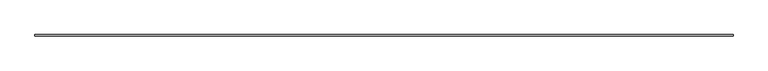
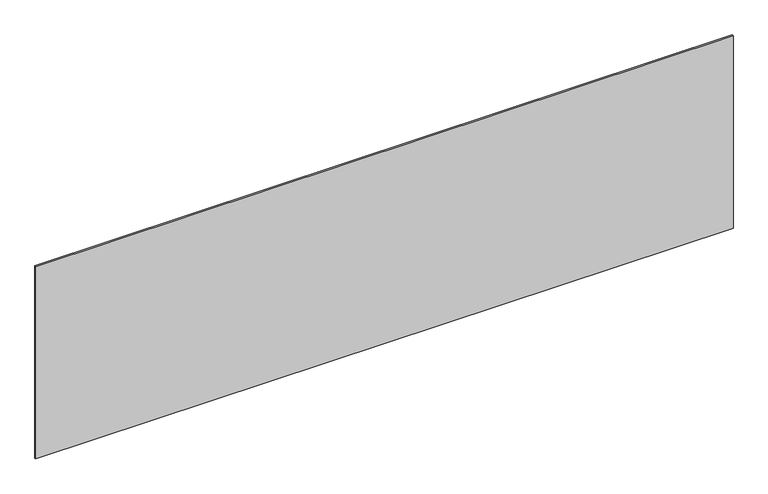
"""IFC4 building model written with IfcOpenShell, lengths in millimetres: plate geometry."""

from ifc_helpers import new_model, si_unit, origin, origin_with_axes, place, context, project, spatial, polyline, outline, extrude, source, transform, mapped, element, save


def plate_ac0f2cd7(model_context):
    return source(origin(), model_context, "Body", "SweptSolid", [
        extrude(outline(polyline([(2281.6666667, -5.0), (-2281.6666667, -5.0), (-2281.6666667, 5.0), (2281.6666667, 5.0), (2281.6666667, -5.0)])), origin_with_axes(), (0.0, 0.0, 1.0), 1330.1743306),
    ])


if __name__ == "__main__":
    model = new_model("IFC4")
    model_context = context("Model", 3, world=origin())
    ifc_project = project(units=[si_unit("LENGTHUNIT", "METRE", prefix="MILLI")], contexts=[model_context])
    site = spatial("IfcSite", under=ifc_project)
    building = spatial("IfcBuilding", under=site)
    placement = place(None, origin())
    plate_shape = plate_ac0f2cd7(model_context)
    element("IfcPlate", 1, at=placement, inside=building, context=model_context, shape_type="MappedRepresentation", body=[
        mapped(plate_shape, transform((0.0, 0.0, 0.0), x_axis=(1.0, 0.0, 0.0), y_axis=(0.0, 1.0, 0.0), z_axis=(0.0, 0.0, 1.0))),
    ])
    save(model, "model.ifc")
